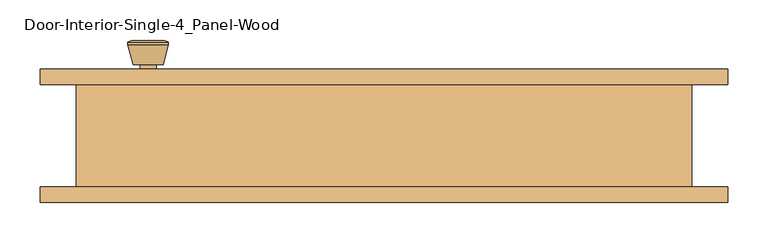
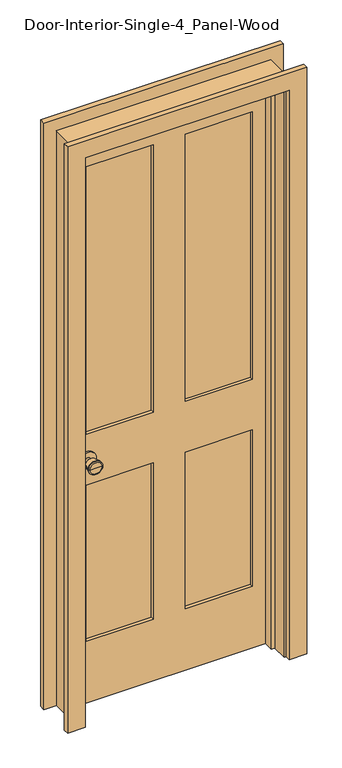
"""IFC4 building model written with IfcOpenShell, lengths in millimetres: door geometry, Door-Interior-Single-4_Panel-Wood."""

from ifc_helpers import new_model, si_unit, point, frame, frame_2d, origin, place, context, project, spatial, polyline, circle_curve, trimmed, segment, composite_curve, outline, extrude, faceted_brep, source, transform, mapped, element, save
from ifc_brep_helpers import plane_surface, cylinder_surface, revolved_surface, advanced_brep


def door_interior_single_4_panel_wood_75726922(model_context):
    return source(origin(), model_context, "Body", "SolidModel", [
        advanced_brep(
        [(-292.1, 19.4, 914.4), (-282.1, 19.4, 914.4), (-302.1, 19.4, 914.4), (-271.6241324, -29.6, 914.4), (-292.1, -29.6, 914.4), (-312.5758676, -29.6, 914.4), (-267.1, -27.7721319, 914.4), (-317.1, -27.7721319, 914.4), (-267.1, -24.3084537, 914.4), (-317.1, -24.3084537, 914.4), (-273.463764, 0.4, 914.4), (-310.736236, 0.4, 914.4), (-282.1, 0.4, 914.4), (-302.1, 0.4, 914.4)],
        [
            (0, 1),
            (1, 2, circle_curve(frame((-292.1, 19.4, 914.4), z_axis=(0.0, 1.0, 0.0), x_axis=(-1.0, 0.0, 0.0)), 10.0)),
            (2, 0),
            (2, 1, circle_curve(frame((-292.1, 19.4, 914.4), z_axis=(0.0, 1.0, 0.0), x_axis=(-1.0, 0.0, 0.0)), 10.0)),
            (3, 4),
            (4, 5),
            (5, 3, circle_curve(frame((-292.1, -29.6, 914.4), z_axis=(0.0, -1.0, 0.0), x_axis=(-1.0, 0.0, 0.0)), 20.4758676)),
            (3, 5, circle_curve(frame((-292.1, -29.6, 914.4), z_axis=(0.0, -1.0, 0.0), x_axis=(-1.0, 0.0, 0.0)), 20.4758676)),
            (6, 3),
            (5, 7),
            (7, 6, circle_curve(frame((-292.1, -27.7721319, 914.4), z_axis=(0.0, -1.0, 0.0), x_axis=(-1.0, 0.0, 0.0)), 25.0)),
            (6, 7, circle_curve(frame((-292.1, -27.7721319, 914.4), z_axis=(0.0, -1.0, 0.0), x_axis=(-1.0, 0.0, 0.0)), 25.0)),
            (8, 6),
            (7, 9),
            (9, 8, circle_curve(frame((-292.1, -24.3084537, 914.4), z_axis=(0.0, -1.0, 0.0), x_axis=(-1.0, 0.0, 0.0)), 25.0)),
            (8, 9, circle_curve(frame((-292.1, -24.3084537, 914.4), z_axis=(0.0, -1.0, 0.0), x_axis=(-1.0, 0.0, 0.0)), 25.0)),
            (10, 8),
            (9, 11),
            (11, 10, circle_curve(frame((-292.1, 0.4, 914.4), z_axis=(0.0, -1.0, 0.0), x_axis=(-1.0, 0.0, 0.0)), 18.636236)),
            (10, 11, circle_curve(frame((-292.1, 0.4, 914.4), z_axis=(0.0, -1.0, 0.0), x_axis=(-1.0, 0.0, 0.0)), 18.636236)),
            (12, 10),
            (11, 13),
            (13, 12, circle_curve(frame((-292.1, 0.4, 914.4), z_axis=(0.0, -1.0, 0.0), x_axis=(-1.0, 0.0, 0.0)), 10.0)),
            (12, 13, circle_curve(frame((-292.1, 0.4, 914.4), z_axis=(0.0, -1.0, 0.0), x_axis=(-1.0, 0.0, 0.0)), 10.0)),
            (1, 12),
            (13, 2),
        ],
        [
            plane_surface(frame((-292.1, 19.4, 914.4), z_axis=(0.0, 1.0, 0.0), x_axis=(-1.0, 0.0, 0.0))),
            plane_surface(frame((-292.1, -29.6, 914.4), z_axis=(0.0, -1.0, 0.0), x_axis=(-1.0, 0.0, 0.0))),
            revolved_surface(polyline([(-312.5758676, -29.6, 914.4), (-317.1, -27.7721319, 914.4)]), (-292.1, 19.4, 914.4), (0.0, 1.0, 0.0)),
            cylinder_surface(frame((-292.1, 19.4, 914.4), z_axis=(0.0, 1.0, 0.0), x_axis=(-1.0, 0.0, 0.0)), 25.0),
            revolved_surface(polyline([(-317.1, -24.3084537, 914.4), (-310.736236, 0.4, 914.4)]), (-292.1, 19.4, 914.4), (0.0, 1.0, 0.0)),
            plane_surface(frame((-292.1, 0.4, 914.4), z_axis=(0.0, 1.0, 0.0), x_axis=(-1.0, 0.0, 0.0))),
            cylinder_surface(frame((-292.1, 19.4, 914.4), z_axis=(0.0, 1.0, 0.0), x_axis=(-1.0, 0.0, 0.0)), 10.0),
        ],
        [
            (0, [[1, 2, 3]]),
            (0, [[-3, 4, -1]]),
            (1, [[5, 6, 7]]),
            (1, [[-6, -5, 8]]),
            (2, [[9, -7, 10, 11]]),
            (2, [[-10, -8, -9, 12]]),
            (3, [[13, -11, 14, 15]]),
            (3, [[-14, -12, -13, 16]]),
            (4, [[17, -15, 18, 19]]),
            (4, [[-18, -16, -17, 20]]),
            (5, [[21, -19, 22, 23]]),
            (5, [[-22, -20, -21, 24]]),
            (6, [[25, -23, 26, -2]]),
            (6, [[-26, -24, -25, -4]]),
        ],
    ),
        extrude(outline(composite_curve([segment(trimmed(circle_curve(frame_2d((914.4, -292.1)), 30.0), [point((914.4, -322.1))], [point((914.4, -262.1))], False, "CARTESIAN"), True, "CONTINUOUS"), segment(trimmed(circle_curve(frame_2d((914.4, -292.1)), 30.0), [point((914.4, -262.1))], [point((914.4, -322.1))], False, "CARTESIAN"), True, "CONTINUOUS")], self_intersect=False)), frame((0.0, 19.4, 0.0), z_axis=(0.0, 1.0, 0.0), x_axis=(0.0, 0.0, 1.0)), (0.0, 0.0, 1.0), 6.0),
        advanced_brep(
        [(-292.1, 66.325, 914.4), (-302.1, 66.325, 914.4), (-282.1, 66.325, 914.4), (-271.6241324, 115.325, 914.4), (-312.5758676, 115.325, 914.4), (-292.1, 115.325, 914.4), (-267.1, 113.4971319, 914.4), (-317.1, 113.4971319, 914.4), (-267.1, 110.0334537, 914.4), (-317.1, 110.0334537, 914.4), (-273.463764, 85.325, 914.4), (-310.736236, 85.325, 914.4), (-282.1, 85.325, 914.4), (-302.1, 85.325, 914.4)],
        [
            (0, 1),
            (1, 2, circle_curve(frame((-292.1, 66.325, 914.4), z_axis=(0.0, -1.0, 0.0), x_axis=(-1.0, 0.0, 0.0)), 10.0)),
            (2, 0),
            (2, 1, circle_curve(frame((-292.1, 66.325, 914.4), z_axis=(0.0, -1.0, 0.0), x_axis=(-1.0, 0.0, 0.0)), 10.0)),
            (3, 4, circle_curve(frame((-292.1, 115.325, 914.4), z_axis=(0.0, 1.0, 0.0), x_axis=(-1.0, 0.0, 0.0)), 20.4758676)),
            (4, 5),
            (5, 3),
            (4, 3, circle_curve(frame((-292.1, 115.325, 914.4), z_axis=(0.0, 1.0, 0.0), x_axis=(-1.0, 0.0, 0.0)), 20.4758676)),
            (6, 7, circle_curve(frame((-292.1, 113.4971319, 914.4), z_axis=(0.0, 1.0, 0.0), x_axis=(-1.0, 0.0, 0.0)), 25.0)),
            (7, 4),
            (3, 6),
            (7, 6, circle_curve(frame((-292.1, 113.4971319, 914.4), z_axis=(0.0, 1.0, 0.0), x_axis=(-1.0, 0.0, 0.0)), 25.0)),
            (8, 9, circle_curve(frame((-292.1, 110.0334537, 914.4), z_axis=(0.0, 1.0, 0.0), x_axis=(-1.0, 0.0, 0.0)), 25.0)),
            (9, 7),
            (6, 8),
            (9, 8, circle_curve(frame((-292.1, 110.0334537, 914.4), z_axis=(0.0, 1.0, 0.0), x_axis=(-1.0, 0.0, 0.0)), 25.0)),
            (10, 11, circle_curve(frame((-292.1, 85.325, 914.4), z_axis=(0.0, 1.0, 0.0), x_axis=(-1.0, 0.0, 0.0)), 18.636236)),
            (11, 9),
            (8, 10),
            (11, 10, circle_curve(frame((-292.1, 85.325, 914.4), z_axis=(0.0, 1.0, 0.0), x_axis=(-1.0, 0.0, 0.0)), 18.636236)),
            (12, 13, circle_curve(frame((-292.1, 85.325, 914.4), z_axis=(0.0, 1.0, 0.0), x_axis=(-1.0, 0.0, 0.0)), 10.0)),
            (13, 11),
            (10, 12),
            (13, 12, circle_curve(frame((-292.1, 85.325, 914.4), z_axis=(0.0, 1.0, 0.0), x_axis=(-1.0, 0.0, 0.0)), 10.0)),
            (1, 13),
            (12, 2),
        ],
        [
            plane_surface(frame((-292.1, 66.325, 914.4), z_axis=(0.0, -1.0, 0.0), x_axis=(-1.0, 0.0, 0.0))),
            plane_surface(frame((-292.1, 115.325, 914.4), z_axis=(0.0, 1.0, 0.0), x_axis=(-1.0, 0.0, 0.0))),
            revolved_surface(polyline([(-312.5758676, 115.325, 914.4), (-317.1, 113.4971319, 914.4)]), (-292.1, 66.325, 914.4), (0.0, -1.0, 0.0)),
            cylinder_surface(frame((-292.1, 66.325, 914.4), z_axis=(0.0, -1.0, 0.0), x_axis=(-1.0, 0.0, 0.0)), 25.0),
            revolved_surface(polyline([(-317.1, 110.0334537, 914.4), (-310.736236, 85.325, 914.4)]), (-292.1, 66.325, 914.4), (0.0, -1.0, 0.0)),
            plane_surface(frame((-292.1, 85.325, 914.4), z_axis=(0.0, -1.0, 0.0), x_axis=(-1.0, 0.0, 0.0))),
            cylinder_surface(frame((-292.1, 66.325, 914.4), z_axis=(0.0, -1.0, 0.0), x_axis=(-1.0, 0.0, 0.0)), 10.0),
        ],
        [
            (0, [[1, 2, 3]]),
            (0, [[-3, 4, -1]]),
            (1, [[5, 6, 7]]),
            (1, [[8, -7, -6]]),
            (2, [[9, 10, -5, 11]]),
            (2, [[12, -11, -8, -10]]),
            (3, [[13, 14, -9, 15]]),
            (3, [[16, -15, -12, -14]]),
            (4, [[17, 18, -13, 19]]),
            (4, [[20, -19, -16, -18]]),
            (5, [[21, 22, -17, 23]]),
            (5, [[24, -23, -20, -22]]),
            (6, [[-2, 25, -21, 26]]),
            (6, [[-4, -26, -24, -25]]),
        ],
    ),
        extrude(outline(composite_curve([segment(trimmed(circle_curve(frame_2d((914.4, -292.1)), 30.0), [point((914.4, -322.1))], [point((914.4, -262.1))], False, "CARTESIAN"), True, "CONTINUOUS"), segment(trimmed(circle_curve(frame_2d((914.4, -292.1)), 30.0), [point((914.4, -262.1))], [point((914.4, -322.1))], False, "CARTESIAN"), True, "CONTINUOUS")], self_intersect=False)), frame((0.0, 60.325, 0.0), z_axis=(0.0, 1.0, 0.0), x_axis=(0.0, 0.0, 1.0)), (0.0, 0.0, 1.0), 6.0),
        faceted_brep([(381.0, 60.325, 0.0), (381.0, -66.675, 0.0), (355.6, -66.675, 0.0), (355.6, -9.525, 0.0), (342.9, -9.525, 0.0), (342.9, 25.4, 0.0), (355.6, 25.4, 0.0), (355.6, 60.325, 0.0), (381.0, 60.325, 2159.0), (381.0, -66.675, 2159.0), (-381.0, -66.675, 2159.0), (-381.0, -66.675, 0.0), (-355.6, -66.675, 0.0), (-355.6, -66.675, 2133.6), (355.6, -66.675, 2133.6), (355.6, -9.525, 2133.6), (-355.6, -9.525, 2133.6), (-355.6, -9.525, 0.0), (-342.9, -9.525, 0.0), (-342.9, -9.525, 2120.9), (342.9, -9.525, 2120.9), (342.9, 25.4, 2120.9), (-342.9, 25.4, 2120.9), (-342.9, 25.4, 0.0), (-355.6, 25.4, 0.0), (-355.6, 25.4, 2133.6), (355.6, 25.4, 2133.6), (355.6, 60.325, 2133.6), (-355.6, 60.325, 2133.6), (-355.6, 60.325, 0.0), (-381.0, 60.325, 0.0), (-381.0, 60.325, 2159.0)], [[[0, 1, 2, 3, 4, 5, 6, 7]], [[1, 0, 8, 9]], [[2, 1, 9, 10, 11, 12, 13, 14]], [[3, 2, 14, 15]], [[4, 3, 15, 16, 17, 18, 19, 20]], [[5, 4, 20, 21]], [[6, 5, 21, 22, 23, 24, 25, 26]], [[7, 6, 26, 27]], [[0, 7, 27, 28, 29, 30, 31, 8]], [[9, 8, 31, 10]], [[15, 14, 13, 16]], [[21, 20, 19, 22]], [[27, 26, 25, 28]], [[30, 29, 24, 23, 18, 17, 12, 11]], [[10, 31, 30, 11]], [[16, 13, 12, 17]], [[22, 19, 18, 23]], [[28, 25, 24, 29]]]),
        extrude(outline(polyline([(2133.6, -355.6), (0.0, -355.6), (0.0, 355.6), (2133.6, 355.6), (2133.6, -355.6)]), holes=[polyline([(2014.5375, 57.15), (2014.5375, 295.275), (1009.65, 295.275), (1009.65, 57.15), (2014.5375, 57.15)]), polyline([(1009.65, -57.15), (1009.65, -295.275), (2014.5375, -295.275), (2014.5375, -57.15), (1009.65, -57.15)]), polyline([(819.15, 57.15), (819.15, 295.275), (231.775, 295.275), (231.775, 57.15), (819.15, 57.15)]), polyline([(231.775, -57.15), (231.775, -295.275), (819.15, -295.275), (819.15, -57.15), (231.775, -57.15)])]), frame((0.0, 25.4, 0.0), z_axis=(0.0, 1.0, 0.0), x_axis=(0.0, 0.0, 1.0)), (0.0, 0.0, 1.0), 34.925),
        extrude(outline(polyline([(295.275, 37.0416667), (57.15, 37.0416667), (57.15, 48.6833333), (295.275, 48.6833333), (295.275, 37.0416667)])), frame((0.0, 0.0, 1009.65), z_axis=(0.0, 0.0, 1.0), x_axis=(1.0, 0.0, 0.0)), (0.0, 0.0, 1.0), 1004.8875),
        extrude(outline(polyline([(-57.15, 37.0416667), (-295.275, 37.0416667), (-295.275, 48.6833333), (-57.15, 48.6833333), (-57.15, 37.0416667)])), frame((0.0, 0.0, 1009.65), z_axis=(0.0, 0.0, 1.0), x_axis=(1.0, 0.0, 0.0)), (0.0, 0.0, 1.0), 1004.8875),
        extrude(outline(polyline([(295.275, 37.0416667), (57.15, 37.0416667), (57.15, 48.6833333), (295.275, 48.6833333), (295.275, 37.0416667)])), frame((0.0, 0.0, 231.775), z_axis=(0.0, 0.0, 1.0), x_axis=(1.0, 0.0, 0.0)), (0.0, 0.0, 1.0), 587.375),
        extrude(outline(polyline([(-57.15, 37.0416667), (-295.275, 37.0416667), (-295.275, 48.6833333), (-57.15, 48.6833333), (-57.15, 37.0416667)])), frame((0.0, 0.0, 231.775), z_axis=(0.0, 0.0, 1.0), x_axis=(1.0, 0.0, 0.0)), (0.0, 0.0, 1.0), 587.375),
        extrude(outline(polyline([(0.0, 361.95), (0.0, 425.45), (2203.45, 425.45), (2203.45, -425.45), (0.0, -425.45), (0.0, -361.95), (2139.95, -361.95), (2139.95, 361.95), (0.0, 361.95)])), frame((0.0, 60.325, 0.0), z_axis=(0.0, 1.0, 0.0), x_axis=(0.0, 0.0, 1.0)), (0.0, 0.0, 1.0), 19.05),
        extrude(outline(polyline([(0.0, 361.95), (0.0, 425.45), (2203.45, 425.45), (2203.45, -425.45), (0.0, -425.45), (0.0, -361.95), (2139.95, -361.95), (2139.95, 361.95), (0.0, 361.95)])), frame((0.0, -85.725, 0.0), z_axis=(0.0, 1.0, 0.0), x_axis=(0.0, 0.0, 1.0)), (0.0, 0.0, 1.0), 19.05),
    ])


if __name__ == "__main__":
    model = new_model("IFC4")
    model_context = context("Model", 3, world=origin())
    ifc_project = project(units=[si_unit("LENGTHUNIT", "METRE", prefix="MILLI")], contexts=[model_context])
    site = spatial("IfcSite", under=ifc_project)
    building = spatial("IfcBuilding", under=site)
    placement = place(None, origin())
    door_interior_single_4_panel_wood_shape = door_interior_single_4_panel_wood_75726922(model_context)
    element("IfcDoor", 1, ObjectType="Door-Interior-Single-4_Panel-Wood", at=placement, inside=building, context=model_context, shape_type="MappedRepresentation", body=[
        mapped(door_interior_single_4_panel_wood_shape, transform((0.0, 0.0, 0.0), x_axis=(1.0, 0.0, 0.0), y_axis=(0.0, 1.0, 0.0), z_axis=(0.0, 0.0, 1.0))),
    ])
    save(model, "model.ifc")
